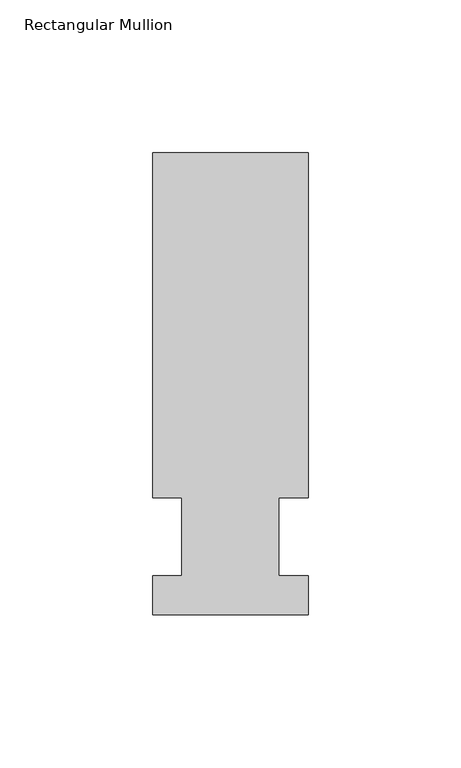
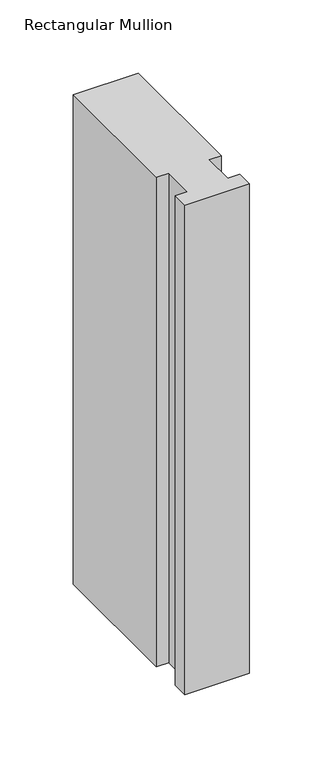
"""IFC4 building model written with IfcOpenShell, lengths in millimetres: member geometry, Rectangular Mullion."""

from ifc_helpers import new_model, si_unit, frame, origin, place, context, project, spatial, polyline, outline, extrude, source, transform, mapped, element, save


def rectangular_mullion_f1c4a56f(model_context):
    return source(origin(), model_context, "Body", "SweptSolid", [
        extrude(outline(polyline([(-25.4, -25.58415), (-25.4, -12.7), (-15.875, -12.7), (-15.875, 12.7), (-25.4, 12.7), (-25.4, 125.59665), (25.4, 125.59665), (25.4, 12.7), (15.875, 12.7), (15.875, -12.7), (25.4, -12.7), (25.4, -25.58415), (-25.4, -25.58415)])), frame((0.0, 0.0, -406.4), z_axis=(0.0, 0.0, 1.0), x_axis=(1.0, 0.0, 0.0)), (0.0, 0.0, 1.0), 406.4),
    ])


if __name__ == "__main__":
    model = new_model("IFC4")
    model_context = context("Model", 3, world=origin())
    ifc_project = project(units=[si_unit("LENGTHUNIT", "METRE", prefix="MILLI")], contexts=[model_context])
    site = spatial("IfcSite", under=ifc_project)
    building = spatial("IfcBuilding", under=site)
    placement = place(None, origin())
    rectangular_mullion_shape = rectangular_mullion_f1c4a56f(model_context)
    element("IfcMember", 1, ObjectType="Rectangular Mullion", at=placement, inside=building, context=model_context, shape_type="MappedRepresentation", body=[
        mapped(rectangular_mullion_shape, transform((0.0, 0.0, 0.0), x_axis=(1.0, 0.0, 0.0), y_axis=(0.0, 1.0, 0.0), z_axis=(0.0, 0.0, 1.0))),
    ])
    save(model, "model.ifc")
